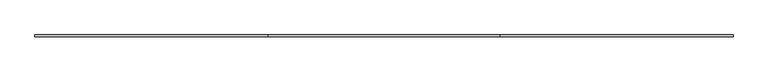
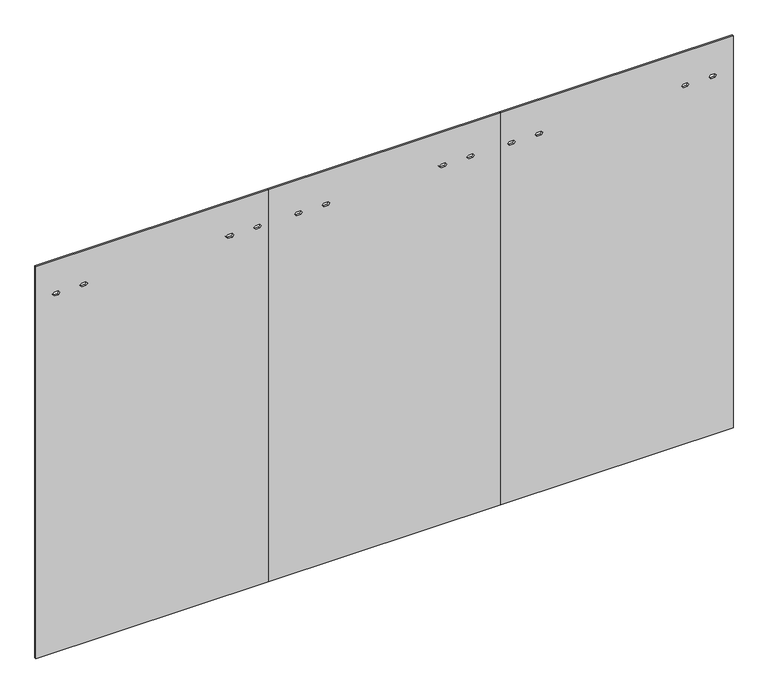
"""IFC4 building model written with IfcOpenShell, lengths in millimetres: furniture geometry."""

from ifc_helpers import new_model, si_unit, frame, origin, place, context, project, spatial, polyline, outline, extrude, source, transform, mapped, element, save


def furniture_7cd3b9b3(model_context):
    return source(origin(), model_context, "Body", "SweptSolid", [
        extrude(outline(polyline([(12.7, 0.0), (12.7, 1219.2), (2186.3010468, 1219.2), (2186.3010468, 0.0), (12.7, 0.0)]), holes=[polyline([(2001.1032968, 999.450017), (2011.0981968, 1007.501817), (2011.0981968, 1029.498217), (2001.1032968, 1037.550017), (1991.1083968, 1029.498217), (1991.1083968, 1007.501817), (2001.1032968, 999.450017)]), polyline([(2001.1032968, 1143.8700171), (2011.0981968, 1151.9218171), (2011.0981968, 1173.9182171), (2001.1032968, 1181.9700171), (1991.1083968, 1173.9182171), (1991.1083968, 1151.9218171), (2001.1032968, 1143.8700171)]), polyline([(2001.1032968, 88.0299829), (2011.0981968, 96.0817829), (2011.0981968, 118.0781829), (2001.1032968, 126.1299829), (1991.1083968, 118.0781829), (1991.1083968, 96.0817829), (2001.1032968, 88.0299829)]), polyline([(2001.1032968, 232.449983), (2011.0981968, 240.501783), (2011.0981968, 262.498183), (2001.1032968, 270.549983), (1991.1083968, 262.498183), (1991.1083968, 240.501783), (2001.1032968, 232.449983)])]), frame((0.0, -4.7752, 0.0), z_axis=(0.0, 1.0, 0.0), x_axis=(0.0, 0.0, 1.0)), (0.0, 0.0, 1.0), 9.525),
        extrude(outline(polyline([(12.7, 2438.4), (12.7, 3657.6), (2186.3010468, 3657.6), (2186.3010468, 2438.4), (12.7, 2438.4)]), holes=[polyline([(2001.1032968, 2475.584988), (2011.0981968, 2483.636788), (2011.0981968, 2505.633188), (2001.1032968, 2513.684988), (1991.1083968, 2505.633188), (1991.1083968, 2483.636788), (2001.1032968, 2475.584988)]), polyline([(2001.1032968, 2620.0049882), (2011.0981968, 2628.0567882), (2011.0981968, 2650.0531882), (2001.1032968, 2658.1049882), (1991.1083968, 2650.0531882), (1991.1083968, 2628.0567882), (2001.1032968, 2620.0049882)]), polyline([(2001.1032968, 3387.050017), (2011.0981968, 3395.101817), (2011.0981968, 3417.098217), (2001.1032968, 3425.150017), (1991.1083968, 3417.098217), (1991.1083968, 3395.101817), (2001.1032968, 3387.050017)]), polyline([(2001.1032968, 3531.4700171), (2011.0981968, 3539.5218171), (2011.0981968, 3561.5182171), (2001.1032968, 3569.5700171), (1991.1083968, 3561.5182171), (1991.1083968, 3539.5218171), (2001.1032968, 3531.4700171)])]), frame((0.0, -4.7752, 0.0), z_axis=(0.0, 1.0, 0.0), x_axis=(0.0, 0.0, 1.0)), (0.0, 0.0, 1.0), 9.525),
        extrude(outline(polyline([(12.7, 1219.2), (12.7, 2438.4), (2186.3010468, 2438.4), (2186.3010468, 1219.2), (12.7, 1219.2)]), holes=[polyline([(2001.1032968, 1357.984988), (2011.0981968, 1366.036788), (2011.0981968, 1388.033188), (2001.1032968, 1396.084988), (1991.1083968, 1388.033188), (1991.1083968, 1366.036788), (2001.1032968, 1357.984988)]), polyline([(2001.1032968, 1502.4049882), (2011.0981968, 1510.4567882), (2011.0981968, 1532.4531882), (2001.1032968, 1540.5049882), (1991.1083968, 1532.4531882), (1991.1083968, 1510.4567882), (2001.1032968, 1502.4049882)]), polyline([(2001.1032968, 2117.0950118), (2011.0981968, 2125.1468118), (2011.0981968, 2147.1432118), (2001.1032968, 2155.1950118), (1991.1083968, 2147.1432118), (1991.1083968, 2125.1468118), (2001.1032968, 2117.0950118)]), polyline([(2001.1032968, 2261.515012), (2011.0981968, 2269.566812), (2011.0981968, 2291.563212), (2001.1032968, 2299.615012), (1991.1083968, 2291.563212), (1991.1083968, 2269.566812), (2001.1032968, 2261.515012)])]), frame((0.0, -4.7752, 0.0), z_axis=(0.0, 1.0, 0.0), x_axis=(0.0, 0.0, 1.0)), (0.0, 0.0, 1.0), 9.525),
    ])


if __name__ == "__main__":
    model = new_model("IFC4")
    model_context = context("Model", 3, world=origin())
    ifc_project = project(units=[si_unit("LENGTHUNIT", "METRE", prefix="MILLI")], contexts=[model_context])
    site = spatial("IfcSite", under=ifc_project)
    building = spatial("IfcBuilding", under=site)
    placement = place(None, origin())
    furniture_shape = furniture_7cd3b9b3(model_context)
    element("IfcFurniture", 1, at=placement, inside=building, context=model_context, shape_type="MappedRepresentation", body=[
        mapped(furniture_shape, transform((0.0, 0.0, 0.0), x_axis=(1.0, 0.0, 0.0), y_axis=(0.0, 1.0, 0.0), z_axis=(0.0, 0.0, 1.0))),
    ])
    save(model, "model.ifc")
